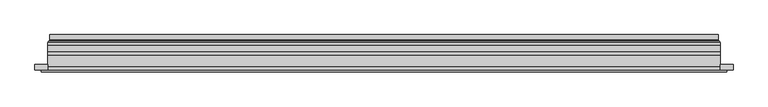
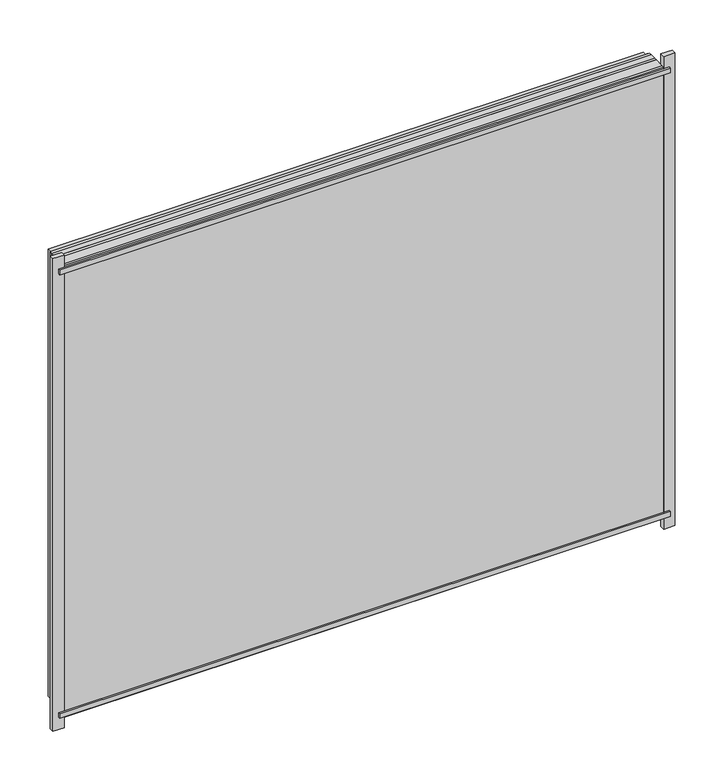
"""IFC4 building model written with IfcOpenShell, lengths in millimetres: plate geometry."""

from ifc_helpers import new_model, si_unit, frame, origin, place, context, project, spatial, polyline, ellipse_curve, outline, extrude, source, transform, mapped, element, save
from ifc_brep_helpers import plane_surface, cylinder_surface, revolved_surface, advanced_brep


def plate_51971438(model_context):
    return source(origin(), model_context, "Body", "SolidModel", [
        extrude(outline(polyline([(28.0, -591.5), (28.0, 591.5), (961.0000001, 591.5), (961.0000001, -591.5), (28.0, -591.5)]), holes=[polyline([(33.0, 586.5), (33.0, -586.5), (956.0000001, -586.5), (956.0000001, 586.5), (33.0, 586.5)])]), frame((0.0, 0.0, 0.0), z_axis=(0.0, 1.0, 0.0), x_axis=(0.0, 0.0, 1.0)), (0.0, 0.0, 1.0), 12.0),
        extrude(outline(polyline([(6.0, -613.5), (6.0, 613.5), (983.0000001, 613.5), (983.0000001, -613.5), (6.0, -613.5)]), holes=[polyline([(28.0, 591.5), (28.0, -591.5), (961.0000001, -591.5), (961.0000001, 591.5), (28.0, 591.5)])]), frame((0.0, -26.0, 0.0), z_axis=(0.0, 1.0, 0.0), x_axis=(0.0, 0.0, 1.0)), (0.0, 0.0, 1.0), 20.0),
        extrude(outline(polyline([(6.0, -613.5), (6.0, 613.5), (983.0000001, 613.5), (983.0000001, -613.5), (6.0, -613.5)]), holes=[polyline([(28.0, 591.5), (28.0, -591.5), (961.0000001, -591.5), (961.0000001, 591.5), (28.0, 591.5)])]), frame((0.0, -26.0, 0.0), z_axis=(0.0, 1.0, 0.0), x_axis=(0.0, 0.0, 1.0)), (0.0, 0.0, 1.0), 20.0),
        extrude(outline(polyline([(613.5, -6.0), (-613.5, -6.0), (-613.5, 0.0), (613.5, 0.0), (613.5, -6.0)])), frame((0.0, 0.0, 6.0), z_axis=(0.0, 0.0, 1.0), x_axis=(1.0, 0.0, 0.0)), (0.0, 0.0, 1.0), 977.0000001),
        extrude(outline(polyline([(625.0, -36.0), (-625.0, -36.0), (-625.0, -32.0), (625.0, -32.0), (625.0, -36.0)])), frame((0.0, 0.0, 969.5000001), z_axis=(0.0, 0.0, 1.0), x_axis=(1.0, 0.0, 0.0)), (0.0, 0.0, 1.0), 10.0),
        extrude(outline(polyline([(625.0, -36.0), (-625.0, -36.0), (-625.0, -32.0), (625.0, -32.0), (625.0, -36.0)])), frame((0.0, 0.0, 9.5), z_axis=(0.0, 0.0, 1.0), x_axis=(1.0, 0.0, 0.0)), (0.0, 0.0, 1.0), 10.0),
        extrude(outline(polyline([(-636.5, -32.0), (-636.5, -22.51), (-613.5, -22.51), (-613.5, -32.0), (-636.5, -32.0)])), frame((0.0, 0.0, -17.0), z_axis=(0.0, 0.0, 1.0), x_axis=(1.0, 0.0, 0.0)), (0.0, 0.0, 1.0), 1023.0000001),
        extrude(outline(polyline([(636.5, -32.0), (613.5, -32.0), (613.5, -22.51), (636.5, -22.51), (636.5, -32.0)])), frame((0.0, 0.0, -17.0), z_axis=(0.0, 0.0, 1.0), x_axis=(1.0, 0.0, 0.0)), (0.0, 0.0, 1.0), 1023.0000001),
        extrude(outline(polyline([(6.0, -613.5), (6.0, 613.5), (983.0000001, 613.5), (983.0000001, -613.5), (6.0, -613.5)]), holes=[polyline([(28.0, 591.5), (28.0, -591.5), (961.0000001, -591.5), (961.0000001, 591.5), (28.0, 591.5)])]), frame((0.0, 0.0, 0.0), z_axis=(0.0, 1.0, 0.0), x_axis=(0.0, 0.0, 1.0)), (0.0, 0.0, 1.0), 12.0),
        extrude(outline(polyline([(28.0, -591.5), (28.0, 591.5), (961.0000001, 591.5), (961.0000001, -591.5), (28.0, -591.5)]), holes=[polyline([(33.0, 586.5), (33.0, -586.5), (956.0000001, -586.5), (956.0000001, 586.5), (33.0, 586.5)])]), frame((0.0, -26.0, 0.0), z_axis=(0.0, 1.0, 0.0), x_axis=(0.0, 0.0, 1.0)), (0.0, 0.0, 1.0), 20.0),
        extrude(outline(polyline([(613.5, 18.0), (613.5, 12.0), (-613.5, 12.0), (-613.5, 18.0), (613.5, 18.0)])), frame((0.0, 0.0, 6.0), z_axis=(0.0, 0.0, 1.0), x_axis=(1.0, 0.0, 0.0)), (0.0, 0.0, 1.0), 977.0000001),
        extrude(outline(polyline([(-613.5, -32.0), (-613.5, -26.0), (613.5, -26.0), (613.5, -32.0), (-613.5, -32.0)])), frame((0.0, 0.0, 6.0), z_axis=(0.0, 0.0, 1.0), x_axis=(1.0, 0.0, 0.0)), (0.0, 0.0, 1.0), 977.0000001),
        advanced_brep(
        [(600.0000103, 32.0, 19.4999897), (-600.0000103, 32.0, 19.4999897), (-600.0000103, 21.9110895, 19.4999897), (600.0000103, 21.9110895, 19.4999897), (608.9986526, 23.3044663, 10.5013474), (-608.9986526, 23.3044663, 10.5013474), (-608.9986526, 32.0, 10.5013474), (608.9986526, 32.0, 10.5013474), (610.6689727, 20.9442833, 8.8310273), (-610.6689727, 20.9442833, 8.8310273), (610.2544044, 18.0034569, 9.2455956), (-610.2544044, 18.0034569, 9.2455956), (599.0620948, 20.2163959, 20.4379052), (-599.0620948, 20.2163959, 20.4379052), (-599.6992268, 18.0000006, 19.8007732), (599.6992268, 18.0000006, 19.8007732), (-600.0000103, 32.0, 969.5000104), (-600.0000103, 21.9110895, 969.5000104), (-608.9986526, 23.3044663, 978.4986527), (-608.9986526, 32.0, 978.4986527), (-610.6689727, 20.9442833, 980.1689729), (-610.2544044, 18.0034569, 979.7544045), (-599.0620948, 20.2163959, 968.5620949), (-599.6992268, 18.0000006, 969.1992269), (600.0000103, 32.0, 969.5000104), (600.0000103, 21.9110895, 969.5000104), (608.9986526, 23.3044663, 978.4986527), (608.9986526, 32.0, 978.4986527), (610.6689727, 20.9442833, 980.1689729), (610.2544044, 18.0034569, 979.7544045), (599.0620948, 20.2163959, 968.5620949), (599.6992268, 18.0000006, 969.1992269)],
        [
            (0, 1),
            (1, 2),
            (2, 3),
            (3, 0),
            (4, 5),
            (5, 6),
            (6, 7),
            (7, 4),
            (8, 9),
            (9, 5, ellipse_curve(frame((-611.3086832, 23.1681522, 8.1913168), z_axis=(-0.7071067811865475, 0.0, 0.7071067811865475), x_axis=(-0.7071067811865476, 0.0, -0.7071067811865474)), 3.2725594, 2.314049)),
            (4, 8, ellipse_curve(frame((611.3086832, 23.1681522, 8.1913168), z_axis=(0.7071067811865475, 0.0, 0.7071067811865475), x_axis=(-0.7071067811865476, 0.0, 0.7071067811865474)), 3.2725594, 2.314049)),
            (10, 11),
            (11, 9, ellipse_curve(frame((-610.2544044, 19.5030909, 9.2455956), z_axis=(0.7071067811865475, 0.0, -0.7071067811865475), x_axis=(0.7071067811865476, 0.0, 0.7071067811865474)), 2.1208028, 1.4996341)),
            (8, 10, ellipse_curve(frame((610.2544044, 19.5030909, 9.2455956), z_axis=(-0.7071067811865475, 0.0, -0.7071067811865475), x_axis=(0.7071067811865476, 0.0, -0.7071067811865474)), 2.1208028, 1.4996341)),
            (12, 13),
            (13, 14, ellipse_curve(frame((-599.6992268, 19.1997743, 19.8007732), z_axis=(0.7071067811865475, 0.0, -0.7071067811865475), x_axis=(0.7071067811865476, 0.0, 0.7071067811865474)), 1.6967361, 1.1997736)),
            (14, 15),
            (15, 12, ellipse_curve(frame((599.6992268, 19.1997743, 19.8007732), z_axis=(-0.7071067811865475, 0.0, -0.7071067811865475), x_axis=(0.7071067811865476, 0.0, -0.7071067811865474)), 1.6967361, 1.1997736)),
            (2, 13, ellipse_curve(frame((-598.0000051, 21.9110895, 21.4999949), z_axis=(-0.7071067811865475, 0.0, 0.7071067811865475), x_axis=(-0.7071067811865476, 0.0, -0.7071067811865474)), 2.8284345, 2.0000052)),
            (12, 3, ellipse_curve(frame((598.0000051, 21.9110895, 21.4999949), z_axis=(0.7071067811865475, 0.0, 0.7071067811865475), x_axis=(-0.7071067811865476, 0.0, 0.7071067811865474)), 2.8284345, 2.0000052)),
            (1, 16),
            (16, 17),
            (17, 2),
            (5, 18),
            (18, 19),
            (19, 6),
            (9, 20),
            (20, 18, ellipse_curve(frame((-611.3086832, 23.1681522, 980.8086833), z_axis=(0.7071067811865475, 0.0, 0.7071067811865475), x_axis=(-0.7071067811865474, 0.0, 0.7071067811865476)), 3.2725594, 2.314049)),
            (11, 21),
            (21, 20, ellipse_curve(frame((-610.2544044, 19.5030909, 979.7544045), z_axis=(-0.7071067811865475, 0.0, -0.7071067811865475), x_axis=(0.7071067811865474, 0.0, -0.7071067811865476)), 2.1208028, 1.4996341)),
            (13, 22),
            (22, 23, ellipse_curve(frame((-599.6992268, 19.1997743, 969.1992269), z_axis=(-0.7071067811865475, 0.0, -0.7071067811865475), x_axis=(0.7071067811865474, 0.0, -0.7071067811865476)), 1.6967361, 1.1997736)),
            (23, 14),
            (17, 22, ellipse_curve(frame((-598.0000051, 21.9110895, 967.5000052), z_axis=(0.7071067811865475, 0.0, 0.7071067811865475), x_axis=(-0.7071067811865474, 0.0, 0.7071067811865476)), 2.8284345, 2.0000052)),
            (16, 24),
            (24, 25),
            (25, 17),
            (18, 26),
            (26, 27),
            (27, 19),
            (20, 28),
            (28, 26, ellipse_curve(frame((611.3086832, 23.1681522, 980.8086833), z_axis=(0.7071067811865475, 0.0, -0.7071067811865475), x_axis=(0.7071067811865476, 0.0, 0.7071067811865474)), 3.2725594, 2.314049)),
            (21, 29),
            (29, 28, ellipse_curve(frame((610.2544044, 19.5030909, 979.7544045), z_axis=(-0.7071067811865475, 0.0, 0.7071067811865475), x_axis=(-0.7071067811865476, 0.0, -0.7071067811865474)), 2.1208028, 1.4996341)),
            (22, 30),
            (30, 31, ellipse_curve(frame((599.6992268, 19.1997743, 969.1992269), z_axis=(-0.7071067811865475, 0.0, 0.7071067811865475), x_axis=(-0.7071067811865476, 0.0, -0.7071067811865474)), 1.6967361, 1.1997736)),
            (31, 23),
            (25, 30, ellipse_curve(frame((598.0000051, 21.9110895, 967.5000052), z_axis=(0.7071067811865475, 0.0, -0.7071067811865475), x_axis=(0.7071067811865476, 0.0, 0.7071067811865474)), 2.8284345, 2.0000052)),
            (24, 0),
            (3, 25),
            (26, 4),
            (7, 27),
            (28, 8),
            (29, 10),
            (31, 15),
            (30, 12),
        ],
        [
            plane_surface(frame((600.0000103, 21.9110895, 19.4999897), z_axis=(0.0, 0.0, 1.0), x_axis=(-1.0, 0.0, 0.0))),
            plane_surface(frame((608.9986526, 32.0, 10.5013474), z_axis=(0.0, 0.0, -1.0), x_axis=(-1.0, 0.0, 0.0))),
            revolved_surface(polyline([(-613.6227321435756, 25.482201200000002, 8.1913168), (613.6227321435758, 25.482201200000002, 8.1913168)]), (600.0, 23.1681522, 8.1913168), (-1.0, 0.0, 0.0)),
            cylinder_surface(frame((600.0, 19.5030909, 9.2455956), z_axis=(1.0, 0.0, 0.0), x_axis=(0.0, 1.0, 0.0)), 1.4996341),
            cylinder_surface(frame((600.0, 19.1997743, 19.8007732), z_axis=(1.0, 0.0, 0.0), x_axis=(0.0, 1.0, 0.0)), 1.1997736),
            revolved_surface(polyline([(-600.0000103150919, 23.9110947, 21.4999949), (600.0000103150919, 23.9110947, 21.4999949)]), (600.0, 21.9110895, 21.4999949), (-1.0, 0.0, 0.0)),
            plane_surface(frame((-600.0000103, 21.9110895, 19.4999897), z_axis=(1.0, 0.0, 0.0), x_axis=(0.0, 0.0, 1.0))),
            plane_surface(frame((-608.9986526, 32.0, 10.5013474), z_axis=(-1.0, 0.0, 0.0), x_axis=(0.0, 0.0, 1.0))),
            revolved_surface(polyline([(-611.3086832, 25.482201200000002, 983.1227322435758), (-611.3086832, 25.482201200000002, 5.87726785642422)]), (-611.3086832, 23.1681522, 19.5), (0.0, 0.0, 1.0)),
            cylinder_surface(frame((-610.2544044, 19.5030909, 19.5), z_axis=(0.0, 0.0, -1.0), x_axis=(0.0, 1.0, 0.0)), 1.4996341),
            cylinder_surface(frame((-599.6992268, 19.1997743, 19.5), z_axis=(0.0, 0.0, -1.0), x_axis=(0.0, 1.0, 0.0)), 1.1997736),
            revolved_surface(polyline([(-598.0000051, 23.9110947, 969.500010415092), (-598.0000051, 23.9110947, 19.49998968490802)]), (-598.0000051, 21.9110895, 19.5), (0.0, 0.0, 1.0)),
            plane_surface(frame((-600.0000103, 21.9110895, 969.5000104), z_axis=(0.0, 0.0, -1.0), x_axis=(1.0, 0.0, 0.0))),
            plane_surface(frame((-608.9986526, 32.0, 978.4986527), z_axis=(0.0, 0.0, 1.0), x_axis=(1.0, 0.0, 0.0))),
            revolved_surface(polyline([(613.6227321435756, 25.482201200000002, 980.8086833), (-613.6227321435758, 25.482201200000002, 980.8086833)]), (-600.0, 23.1681522, 980.8086833), (1.0, 0.0, 0.0)),
            cylinder_surface(frame((-600.0, 19.5030909, 979.7544045), z_axis=(-1.0, 0.0, 0.0), x_axis=(0.0, 1.0, 0.0)), 1.4996341),
            cylinder_surface(frame((-600.0, 19.1997743, 969.1992269), z_axis=(-1.0, 0.0, 0.0), x_axis=(0.0, 1.0, 0.0)), 1.1997736),
            revolved_surface(polyline([(600.0000103150919, 23.9110947, 967.5000052), (-600.0000103150919, 23.9110947, 967.5000052)]), (-600.0, 21.9110895, 967.5000052), (1.0, 0.0, 0.0)),
            plane_surface(frame((600.0000103, 21.9110895, 969.5000104), z_axis=(-1.0, 0.0, 0.0), x_axis=(0.0, 0.0, -1.0))),
            plane_surface(frame((608.9986526, 32.0, 978.4986527), z_axis=(1.0, 0.0, 0.0), x_axis=(0.0, 0.0, -1.0))),
            revolved_surface(polyline([(611.3086832, 25.482201200000002, 5.877267856424169), (611.3086832, 25.482201200000002, 983.1227322435758)]), (611.3086832, 23.1681522, 969.5000001), (0.0, 0.0, -1.0)),
            cylinder_surface(frame((610.2544044, 19.5030909, 969.5000001), z_axis=(0.0, 0.0, 1.0), x_axis=(0.0, 1.0, 0.0)), 1.4996341),
            plane_surface(frame((610.2544044, 18.0000006, 979.7544045), z_axis=(0.0, -1.0, 0.0), x_axis=(0.0, 0.0, -1.0))),
            cylinder_surface(frame((599.6992268, 19.1997743, 969.5000001), z_axis=(0.0, 0.0, 1.0), x_axis=(0.0, 1.0, 0.0)), 1.1997736),
            revolved_surface(polyline([(598.0000051, 23.9110947, 19.499989684908087), (598.0000051, 23.9110947, 969.500010415092)]), (598.0000051, 21.9110895, 969.5000001), (0.0, 0.0, -1.0)),
            plane_surface(frame((600.0000103, 32.0, 969.5000104), z_axis=(0.0, 1.0, 0.0), x_axis=(0.0, 0.0, -1.0))),
        ],
        [
            (0, [[1, 2, 3, 4]]),
            (1, [[5, 6, 7, 8]]),
            (2, [[9, 10, -5, 11]]),
            (3, [[12, 13, -9, 14]]),
            (4, [[15, 16, 17, 18]]),
            (5, [[-3, 19, -15, 20]]),
            (6, [[21, 22, 23, -2]]),
            (7, [[24, 25, 26, -6]]),
            (8, [[27, 28, -24, -10]]),
            (9, [[29, 30, -27, -13]]),
            (10, [[31, 32, 33, -16]]),
            (11, [[-23, 34, -31, -19]]),
            (12, [[35, 36, 37, -22]]),
            (13, [[38, 39, 40, -25]]),
            (14, [[41, 42, -38, -28]]),
            (15, [[43, 44, -41, -30]]),
            (16, [[45, 46, 47, -32]]),
            (17, [[-37, 48, -45, -34]]),
            (18, [[49, -4, 50, -36]]),
            (19, [[51, -8, 52, -39]]),
            (20, [[53, -11, -51, -42]]),
            (21, [[54, -14, -53, -44]]),
            (22, [[-12, -54, -43, -29], [-17, -33, -47, 55]]),
            (23, [[56, -18, -55, -46]]),
            (24, [[-50, -20, -56, -48]]),
            (25, [[-7, -26, -40, -52], [-1, -49, -35, -21]]),
        ],
    ),
    ])


if __name__ == "__main__":
    model = new_model("IFC4")
    model_context = context("Model", 3, world=origin())
    ifc_project = project(units=[si_unit("LENGTHUNIT", "METRE", prefix="MILLI")], contexts=[model_context])
    site = spatial("IfcSite", under=ifc_project)
    building = spatial("IfcBuilding", under=site)
    placement = place(None, origin())
    plate_shape = plate_51971438(model_context)
    element("IfcPlate", 1, at=placement, inside=building, context=model_context, shape_type="MappedRepresentation", body=[
        mapped(plate_shape, transform((0.0, 0.0, 0.0), x_axis=(1.0, 0.0, 0.0), y_axis=(0.0, 1.0, 0.0), z_axis=(0.0, 0.0, 1.0))),
    ])
    save(model, "model.ifc")
